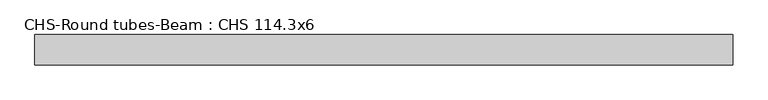
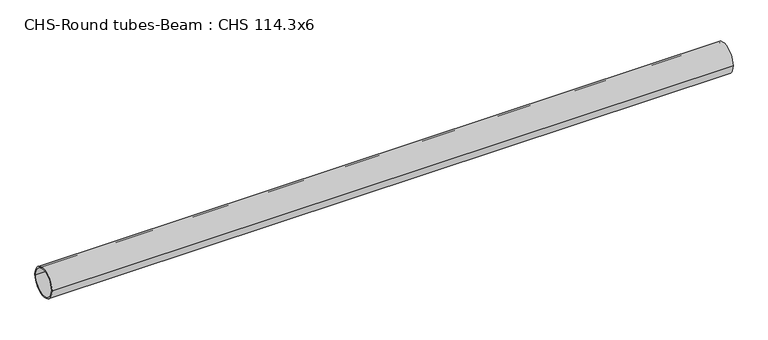
"""IFC4 building model written with IfcOpenShell, lengths in millimetres: beam geometry, CHS-Round tubes-Beam : CHS 114.3x6."""

from ifc_helpers import new_model, si_unit, point, frame, origin, origin_2d, place, context, project, spatial, circle_curve, trimmed, segment, composite_curve, outline, extrude, source, transform, mapped, element, save


def chs_round_tubes_beam_chs_114_3x6_64bcb49e(model_context):
    return source(origin(), model_context, "Body", "SweptSolid", [
        extrude(outline(composite_curve([segment(trimmed(circle_curve(origin_2d(), 57.15), [point((57.15, 0.0))], [point((-57.15, 0.0))], False, "CARTESIAN"), True, "CONTINUOUS"), segment(trimmed(circle_curve(origin_2d(), 57.15), [point((-57.15, 0.0))], [point((57.15, 0.0))], False, "CARTESIAN"), True, "CONTINUOUS")], self_intersect=False), holes=[composite_curve([segment(trimmed(circle_curve(origin_2d(), 51.15), [point((51.15, 0.0))], [point((-51.15, 0.0))], True, "CARTESIAN"), True, "CONTINUOUS"), segment(trimmed(circle_curve(origin_2d(), 51.15), [point((-51.15, 0.0))], [point((51.15, 0.0))], True, "CARTESIAN"), True, "CONTINUOUS")], self_intersect=False)]), frame((-1273.8649324, 0.0, 0.0), z_axis=(1.0, 0.0, 0.0), x_axis=(0.0, 1.0, 0.0)), (0.0, 0.0, 1.0), 2623.3380035),
    ])


if __name__ == "__main__":
    model = new_model("IFC4")
    model_context = context("Model", 3, world=origin())
    ifc_project = project(units=[si_unit("LENGTHUNIT", "METRE", prefix="MILLI")], contexts=[model_context])
    site = spatial("IfcSite", under=ifc_project)
    building = spatial("IfcBuilding", under=site)
    placement = place(None, origin())
    chs_round_tubes_beam_chs_114_3x6_shape = chs_round_tubes_beam_chs_114_3x6_64bcb49e(model_context)
    element("IfcBeam", 1, ObjectType="CHS-Round tubes-Beam : CHS 114.3x6", at=placement, inside=building, context=model_context, shape_type="MappedRepresentation", body=[
        mapped(chs_round_tubes_beam_chs_114_3x6_shape, transform((0.0, 0.0, 0.0), x_axis=(1.0, 0.0, 0.0), y_axis=(0.0, 1.0, 0.0), z_axis=(0.0, 0.0, 1.0))),
    ])
    save(model, "model.ifc")
